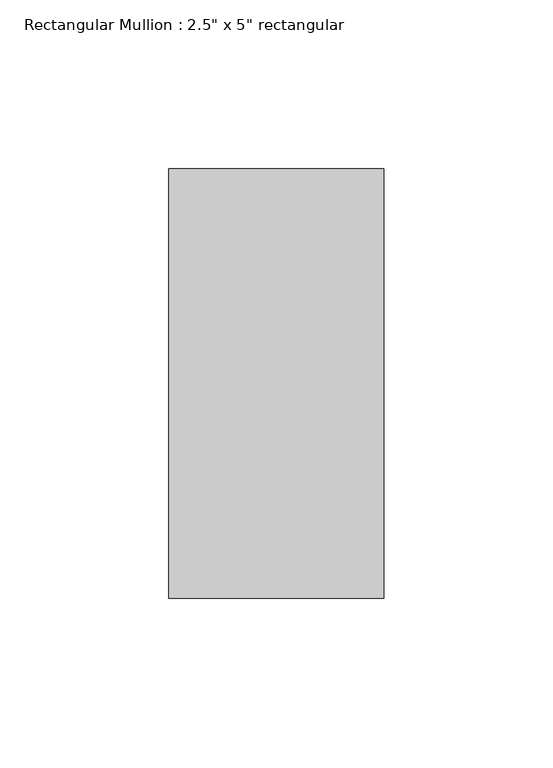
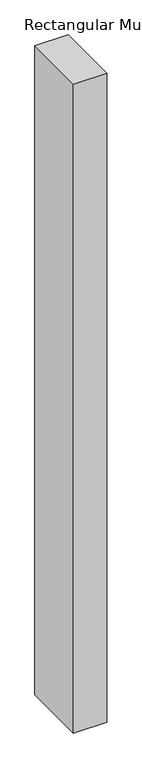
"""IFC4 building model written with IfcOpenShell, lengths in millimetres: member geometry."""

from ifc_helpers import new_model, si_unit, frame, origin, place, context, project, spatial, polyline, outline, extrude, source, transform, mapped, element, save


def member_95d34057(model_context):
    return source(origin(), model_context, "Body", "SweptSolid", [
        extrude(outline(polyline([(31.75, 63.5), (31.75, -63.5), (-31.75, -63.5), (-31.75, 63.5), (31.75, 63.5)])), frame((0.0, 0.0, -1306.8183586), z_axis=(0.0, 0.0, 1.0), x_axis=(1.0, 0.0, 0.0)), (0.0, 0.0, 1.0), 1306.8183586),
    ])


if __name__ == "__main__":
    model = new_model("IFC4")
    model_context = context("Model", 3, world=origin())
    ifc_project = project(units=[si_unit("LENGTHUNIT", "METRE", prefix="MILLI")], contexts=[model_context])
    site = spatial("IfcSite", under=ifc_project)
    building = spatial("IfcBuilding", under=site)
    placement = place(None, origin())
    member_shape = member_95d34057(model_context)
    element("IfcMember", 1, ObjectType="Rectangular Mullion : 2.5\" x 5\" rectangular", at=placement, inside=building, context=model_context, shape_type="MappedRepresentation", body=[
        mapped(member_shape, transform((0.0, 0.0, 0.0), x_axis=(1.0, 0.0, 0.0), y_axis=(0.0, 1.0, 0.0), z_axis=(0.0, 0.0, 1.0))),
    ])
    save(model, "model.ifc")
